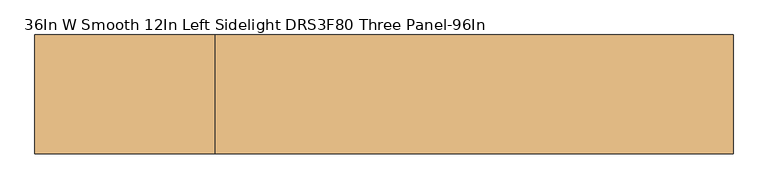
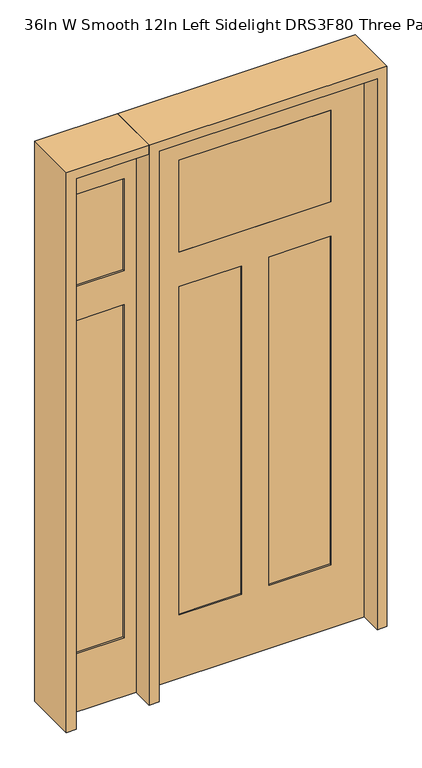
"""IFC4 building model written with IfcOpenShell, lengths in millimetres: door geometry, 36In W Smooth 12In Left Sidelight DRS3F80 Three Panel-96In."""

import ifcopenshell
import ifcopenshell.guid

model = None  # the IFC model being written
_history = None  # IfcOwnerHistory: only IFC2X3 demands one
_inside = {}  # id of a spatial element -> (the spatial element, [elements in it])
_under = {}  # id of a project, library or spatial element -> (it, [spatial elements below it])
_declared = {}  # id of a project -> (the project, [libraries it declares])
_typed = {}  # id of a type object -> (the type object, [elements of that type])
_made_of = {}  # id of a material, layer set ... -> (it, [elements and type objects made of it])


def new_model(schema):
    """Start an empty IFC model of exactly this schema.

    Asked for "IFC4X3", IfcOpenShell would pick the latest addendum, in which some entities
    have other attributes; the version numbers below select the first issue.
    IFC2X3 requires an IfcOwnerHistory on every rooted entity: one is made here for all.
    """
    global model, _history
    if schema == "IFC4X3":
        model = ifcopenshell.file(schema_version=(4, 3, 0, 0))
    else:
        model = ifcopenshell.file(schema=schema)
    _inside.clear()
    _under.clear()
    _declared.clear()
    _typed.clear()
    _made_of.clear()
    _history = None
    if model.schema == "IFC2X3":
        org = make("IfcOrganization", Name="unknown")
        user = make(
            "IfcPersonAndOrganization",
            ThePerson=make("IfcPerson", FamilyName="unknown"),
            TheOrganization=org,
        )
        app = make(
            "IfcApplication",
            ApplicationDeveloper=org,
            Version="unknown",
            ApplicationFullName="unknown",
            ApplicationIdentifier="unknown",
        )
        _history = make(
            "IfcOwnerHistory",
            OwningUser=user,
            OwningApplication=app,
            ChangeAction="ADDED",
            CreationDate=0,
        )
    return model


def make(cls, **values):
    """One entity of the class cls with the attributes given. An attribute that is None is left unset."""
    return model.create_entity(
        cls, **{name: value for name, value in values.items() if value is not None}
    )


def rooted(cls, **values):
    """An entity with a GlobalId (a new one), such as an element, a storey or a relation."""
    return make(cls, GlobalId=ifcopenshell.guid.new(), OwnerHistory=_history, **values)


def si_unit(unit_type, name, prefix=None):
    """IfcSIUnit, for example si_unit("LENGTHUNIT", "METRE", prefix="MILLI")."""
    return make("IfcSIUnit", UnitType=unit_type, Prefix=prefix, Name=name)


def assignment(units):
    """IfcUnitAssignment: the units of a project."""
    return None if units is None else make("IfcUnitAssignment", Units=units)


def point(xyz):
    """IfcCartesianPoint."""
    return None if xyz is None else make("IfcCartesianPoint", Coordinates=xyz)


def direction(xyz):
    """IfcDirection."""
    return None if xyz is None else make("IfcDirection", DirectionRatios=xyz)


def frame(location, z_axis=None, x_axis=None):
    """IfcAxis2Placement3D, a coordinate frame: its origin and axes. An axis left out is left unset."""
    return make(
        "IfcAxis2Placement3D",
        Location=point(location),
        Axis=direction(z_axis),
        RefDirection=direction(x_axis),
    )


def origin():
    """The frame at (0, 0, 0) with its axes left unset."""
    return frame((0.0, 0.0, 0.0))


def place(relative_to, where):
    """IfcLocalPlacement: puts the frame where relative to a parent placement (None: the world)."""
    return make(
        "IfcLocalPlacement", PlacementRelTo=relative_to, RelativePlacement=where
    )


def context(
    kind, dimensions, precision=None, world=None, true_north=None, identifier=None
):
    """IfcGeometricRepresentationContext, for example the 3D "Model" context."""
    return make(
        "IfcGeometricRepresentationContext",
        ContextIdentifier=identifier,
        ContextType=kind,
        CoordinateSpaceDimension=dimensions,
        Precision=precision,
        WorldCoordinateSystem=world,
        TrueNorth=true_north,
    )


def project(units=None, contexts=None):
    """IfcProject with its units and contexts."""
    return rooted(
        "IfcProject",
        Name="project",
        RepresentationContexts=contexts,
        UnitsInContext=assignment(units),
    )


def spatial(cls, under=None, at=None, **own):
    """A site, building, storey or space (cls), placed at a placement, below another one or the project."""
    s = rooted(cls, ObjectPlacement=at, **own)
    if under is not None:
        _under.setdefault(under.id(), (under, []))[1].append(s)
    return s


def polyline(points):
    """IfcPolyline through the points."""
    return make("IfcPolyline", Points=[point(p) for p in points])


def outline(outer, holes=None, kind="AREA"):
    """IfcArbitraryClosedProfileDef: a profile drawn as a closed curve; with holes, ...WithVoids."""
    if holes is None:
        return make("IfcArbitraryClosedProfileDef", ProfileType=kind, OuterCurve=outer)
    return make(
        "IfcArbitraryProfileDefWithVoids",
        ProfileType=kind,
        OuterCurve=outer,
        InnerCurves=holes,
    )


def extrude(swept, where, along, depth):
    """IfcExtrudedAreaSolid: the profile swept, set in the frame where, extruded along a direction by depth."""
    return make(
        "IfcExtrudedAreaSolid",
        SweptArea=swept,
        Position=where,
        ExtrudedDirection=direction(along),
        Depth=depth,
    )


def faces_of(points, faces, orient=None, outer=None):
    """IfcFace entities. A face is a list of loops; a loop is a list of indices into points, from 0.

    orient and outer hold one flag for each loop. By default every Orientation is true, the
    first loop of a face is its IfcFaceOuterBound and the others are IfcFaceBound.
    """
    made = []
    for i, loops in enumerate(faces):
        bounds = []
        for j, loop in enumerate(loops):
            is_outer = j == 0 if outer is None else outer[i][j]
            bounds.append(
                make(
                    "IfcFaceOuterBound" if is_outer else "IfcFaceBound",
                    Bound=make("IfcPolyLoop", Polygon=[points[k] for k in loop]),
                    Orientation=True if orient is None else orient[i][j],
                )
            )
        made.append(make("IfcFace", Bounds=bounds))
    return made


def faceted_brep(points, faces, orient=None, outer=None, voids=None):
    """IfcFacetedBrep: a solid bounded by flat faces; with voids (closed shells), ...WithVoids."""
    shared = [point(p) for p in points]
    hull = make("IfcClosedShell", CfsFaces=faces_of(shared, faces, orient, outer))
    if voids is None:
        return make("IfcFacetedBrep", Outer=hull)
    return make(
        "IfcFacetedBrepWithVoids",
        Outer=hull,
        Voids=[
            make(cls, CfsFaces=faces_of(shared, fs, o, b)) for cls, fs, o, b in voids
        ],
    )


def shape(context_of_items, identifier, shape_type, items):
    """IfcShapeRepresentation: the items that make up one representation, for example the "Body"."""
    return make(
        "IfcShapeRepresentation",
        ContextOfItems=context_of_items,
        RepresentationIdentifier=identifier,
        RepresentationType=shape_type,
        Items=items,
    )


def source(mapping_origin, context_of_items, identifier, shape_type, items):
    """IfcRepresentationMap: a shape defined once, which mapped items show again and again."""
    return make(
        "IfcRepresentationMap",
        MappingOrigin=mapping_origin,
        MappedRepresentation=shape(context_of_items, identifier, shape_type, items),
    )


def transform(
    local_origin,
    x_axis=None,
    y_axis=None,
    z_axis=None,
    scale=None,
    scale2=None,
    scale3=None,
    uniform=True,
):
    """IfcCartesianTransformationOperator3D, or its non-uniform kind. x_axis, y_axis, z_axis: its Axis1, 2, 3."""
    if uniform:
        return make(
            "IfcCartesianTransformationOperator3D",
            Axis1=direction(x_axis),
            Axis2=direction(y_axis),
            LocalOrigin=point(local_origin),
            Scale=scale,
            Axis3=direction(z_axis),
        )
    return make(
        "IfcCartesianTransformationOperator3DnonUniform",
        Axis1=direction(x_axis),
        Axis2=direction(y_axis),
        LocalOrigin=point(local_origin),
        Scale=scale,
        Axis3=direction(z_axis),
        Scale2=scale2,
        Scale3=scale3,
    )


def mapped(mapping_source, mapping_target):
    """IfcMappedItem: shows the shape of a source again, moved by a transform."""
    return make(
        "IfcMappedItem", MappingSource=mapping_source, MappingTarget=mapping_target
    )


def made_of(thing, what):
    """Note that an element or type object is made of a material, layer set ...; save() writes the relation."""
    if what is not None:
        _made_of.setdefault(what.id(), (what, []))[1].append(thing)
    return thing


def element(
    cls,
    number,
    at=None,
    inside=None,
    cuts=None,
    type_object=None,
    material=None,
    context=None,
    identifier="Body",
    shape_type=None,
    held_by="IfcProductDefinitionShape",
    body=None,
    shapes=None,
    **own,
):
    """One element of the class cls, such as IfcWall. Its Tag is "e" and its number.

    at: its placement. inside: the storey or other place that contains it. cuts: it is an
    opening in that element (IfcRelVoidsElement). A single representation is given by context,
    identifier, shape_type and body (its items); several are given by shapes. held_by: the class
    of the entity that holds the representations. save() writes the other relations.
    """
    e = rooted(cls, Tag="e%d" % number, ObjectPlacement=at, **own)
    if body is not None:
        shapes = [shape(context, identifier, shape_type, body)]
    if shapes is not None:
        e.Representation = make(held_by, Representations=shapes)
    if inside is not None:
        _inside.setdefault(inside.id(), (inside, []))[1].append(e)
    if cuts is not None:
        rooted(
            "IfcRelVoidsElement", RelatingBuildingElement=cuts, RelatedOpeningElement=e
        )
    if type_object is not None:
        _typed.setdefault(type_object.id(), (type_object, []))[1].append(e)
    return made_of(e, material)


def aggregate(whole, parts):
    """IfcRelAggregates: a whole, such as a stair, and the parts it consists of."""
    return rooted("IfcRelAggregates", RelatingObject=whole, RelatedObjects=parts)


def save(model, path):
    """Write the relations noted so far, then the file.

    IfcRelAggregates (storeys below a building ...), IfcRelContainedInSpatialStructure (elements
    in a storey), IfcRelDefinesByType, IfcRelAssociatesMaterial and IfcRelDeclares: one each for
    every whole, place, type object, material and project.
    """
    for whole, parts in _under.values():
        aggregate(whole, parts)
    for where, things in _inside.values():
        rooted(
            "IfcRelContainedInSpatialStructure",
            RelatedElements=things,
            RelatingStructure=where,
        )
    for kind, things in _typed.values():
        rooted("IfcRelDefinesByType", RelatedObjects=things, RelatingType=kind)
    for what, things in _made_of.values():
        rooted("IfcRelAssociatesMaterial", RelatedObjects=things, RelatingMaterial=what)
    for by, libraries in _declared.values():
        rooted("IfcRelDeclares", RelatingContext=by, RelatedDefinitions=libraries)
    model.write(path)


def door_36in_w_smooth_12in_left_sidelight_drs3f80_three_panel_5eb2ee02(model_context):
    return source(origin(), model_context, "Body", "SolidModel", [
        extrude(outline(polyline([(0.0, -803.275), (0.0, -498.475), (2438.4, -498.475), (2438.4, -803.275), (0.0, -803.275)]), holes=[polyline([(260.35, -549.275), (260.35, -752.475), (1733.55, -752.475), (1733.55, -549.275), (260.35, -549.275)]), polyline([(1885.95, -549.275), (1885.95, -752.475), (2292.35, -752.475), (2292.35, -549.275), (1885.95, -549.275)])]), frame((0.0, -20.6375, 0.0), z_axis=(0.0, 1.0, 0.0), x_axis=(0.0, 0.0, 1.0)), (0.0, 0.0, 1.0), 41.275),
        extrude(outline(polyline([(-549.275, -14.2875), (-752.475, -14.2875), (-752.475, 14.4145), (-549.275, 14.4145), (-549.275, -14.2875)])), frame((0.0, 0.0, 1885.95), z_axis=(0.0, 0.0, 1.0), x_axis=(1.0, 0.0, 0.0)), (0.0, 0.0, 1.0), 406.4),
        extrude(outline(polyline([(-549.275, -14.2875), (-752.475, -14.2875), (-752.475, 14.4145), (-549.275, 14.4145), (-549.275, -14.2875)])), frame((0.0, 0.0, 260.35), z_axis=(0.0, 0.0, 1.0), x_axis=(1.0, 0.0, 0.0)), (0.0, 0.0, 1.0), 1473.2),
        faceted_brep([(457.2, 20.6375, 0.0), (457.2, -20.6375, 0.0), (-457.2, -20.6375, 0.0), (-457.2, 20.6375, 0.0), (457.2, 20.6375, 2438.4), (457.2, -20.6375, 2438.4), (-457.2, -20.6375, 2438.4), (-317.5, -20.6375, 2292.35), (317.5, -20.6375, 2292.35), (317.5, -20.6375, 1885.95), (-317.5, -20.6375, 1885.95), (-317.5, -20.6375, 1733.55), (-57.15, -20.6375, 1733.55), (-57.15, -20.6375, 279.4), (-317.5, -20.6375, 279.4), (57.15, -20.6375, 1733.55), (317.5, -20.6375, 1733.55), (317.5, -20.6375, 279.4), (57.15, -20.6375, 279.4), (-457.2, 20.6375, 2438.4), (-57.15, 20.6375, 1733.55), (-317.5, 20.6375, 1733.55), (-317.5, 20.6375, 279.4), (-57.15, 20.6375, 279.4), (317.5, 20.6375, 1733.55), (57.15, 20.6375, 1733.55), (57.15, 20.6375, 279.4), (317.5, 20.6375, 279.4), (317.5, 20.6375, 2292.35), (-317.5, 20.6375, 2292.35), (-317.5, 20.6375, 1885.95), (317.5, 20.6375, 1885.95), (-317.5, 14.2875, 1733.55), (-317.5, 14.2875, 279.4), (-57.15, 14.2875, 279.4), (-57.15, 14.2875, 1733.55), (57.15, 14.2875, 1733.55), (57.15, 14.2875, 279.4), (317.5, 14.2875, 279.4), (317.5, 14.2875, 1733.55), (-57.15, -14.2875, 1733.55), (-57.15, -14.2875, 279.4), (-317.5, -14.2875, 279.4), (-317.5, -14.2875, 1733.55), (317.5, -14.2875, 1733.55), (317.5, -14.2875, 279.4), (57.15, -14.2875, 279.4), (57.15, -14.2875, 1733.55)], [[[0, 1, 2, 3]], [[4, 5, 1, 0]], [[5, 6, 2, 1], [7, 8, 9, 10], [11, 12, 13, 14], [15, 16, 17, 18]], [[6, 19, 3, 2]], [[19, 4, 0, 3], [20, 21, 22, 23], [24, 25, 26, 27], [28, 29, 30, 31]], [[4, 19, 6, 5]], [[32, 33, 22, 21]], [[33, 34, 23, 22]], [[34, 35, 20, 23]], [[36, 37, 26, 25]], [[37, 38, 27, 26]], [[38, 39, 24, 27]], [[40, 41, 13, 12]], [[41, 42, 14, 13]], [[42, 43, 11, 14]], [[44, 45, 17, 16]], [[45, 46, 18, 17]], [[46, 47, 15, 18]], [[40, 43, 42, 41]], [[44, 47, 46, 45]], [[35, 34, 33, 32]], [[39, 38, 37, 36]], [[7, 29, 28, 8]], [[29, 7, 10, 30]], [[30, 10, 9, 31]], [[8, 28, 31, 9]], [[43, 40, 12, 11]], [[47, 44, 16, 15]], [[35, 32, 21, 20]], [[39, 36, 25, 24]]]),
        extrude(outline(polyline([(317.5, -20.6375), (-317.5, -20.6375), (-317.5, 20.6375), (317.5, 20.6375), (317.5, -20.6375)])), frame((0.0, 0.0, 1885.95), z_axis=(0.0, 0.0, 1.0), x_axis=(1.0, 0.0, 0.0)), (0.0, 0.0, 1.0), 406.4),
        extrude(outline(polyline([(2438.4, -498.475), (2479.675, -498.475), (2479.675, -844.55), (0.0, -844.55), (0.0, -803.275), (2438.4, -803.275), (2438.4, -498.475)])), frame((0.0, -114.3, 0.0), z_axis=(0.0, 1.0, 0.0), x_axis=(0.0, 0.0, 1.0)), (0.0, 0.0, 1.0), 228.6),
        extrude(outline(polyline([(2479.675, -498.475), (0.0, -498.475), (0.0, -457.2), (2438.4, -457.2), (2438.4, 457.2), (0.0, 457.2), (0.0, 498.475), (2479.675, 498.475), (2479.675, -498.475)])), frame((0.0, -114.3, 0.0), z_axis=(0.0, 1.0, 0.0), x_axis=(0.0, 0.0, 1.0)), (0.0, 0.0, 1.0), 228.6),
    ])


if __name__ == "__main__":
    model = new_model("IFC4")
    model_context = context("Model", 3, world=origin())
    ifc_project = project(units=[si_unit("LENGTHUNIT", "METRE", prefix="MILLI")], contexts=[model_context])
    site = spatial("IfcSite", under=ifc_project)
    building = spatial("IfcBuilding", under=site)
    placement = place(None, origin())
    door_36in_w_smooth_12in_left_sidelight_drs3f80_three_panel_shape = door_36in_w_smooth_12in_left_sidelight_drs3f80_three_panel_5eb2ee02(model_context)
    element("IfcDoor", 1, ObjectType="36In W Smooth 12In Left Sidelight DRS3F80 Three Panel-96In", at=placement, inside=building, context=model_context, shape_type="MappedRepresentation", body=[
        mapped(door_36in_w_smooth_12in_left_sidelight_drs3f80_three_panel_shape, transform((0.0, 0.0, 0.0), x_axis=(1.0, 0.0, 0.0), y_axis=(0.0, 1.0, 0.0), z_axis=(0.0, 0.0, 1.0))),
    ])
    save(model, "model.ifc")
